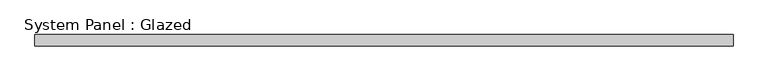
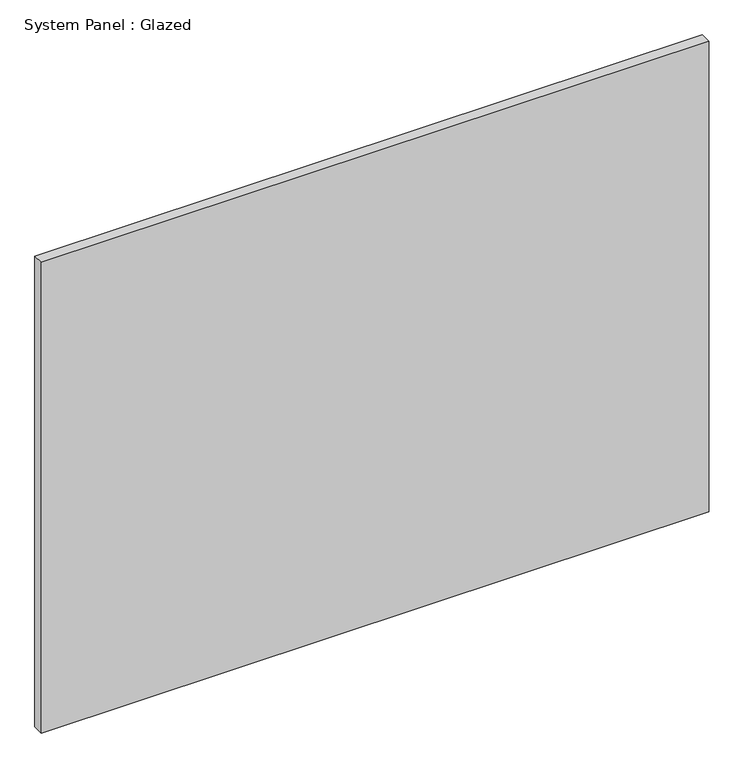
"""IFC4 building model written with IfcOpenShell, lengths in millimetres: plate geometry, System Panel : Glazed."""

from ifc_helpers import new_model, si_unit, origin, origin_with_axes, place, context, project, spatial, polyline, outline, extrude, source, transform, mapped, element, save


def system_panel_glazed_cc64d233(model_context):
    return source(origin(), model_context, "Body", "SweptSolid", [
        extrude(outline(polyline([(767.08, -12.7), (-767.08, -12.7), (-767.08, 12.7), (767.08, 12.7), (767.08, -12.7)])), origin_with_axes(), (0.0, 0.0, 1.0), 1143.0),
    ])


if __name__ == "__main__":
    model = new_model("IFC4")
    model_context = context("Model", 3, world=origin())
    ifc_project = project(units=[si_unit("LENGTHUNIT", "METRE", prefix="MILLI")], contexts=[model_context])
    site = spatial("IfcSite", under=ifc_project)
    building = spatial("IfcBuilding", under=site)
    placement = place(None, origin())
    system_panel_glazed_shape = system_panel_glazed_cc64d233(model_context)
    element("IfcPlate", 1, ObjectType="System Panel : Glazed", at=placement, inside=building, context=model_context, shape_type="MappedRepresentation", body=[
        mapped(system_panel_glazed_shape, transform((0.0, 0.0, 0.0), x_axis=(1.0, 0.0, 0.0), y_axis=(0.0, 1.0, 0.0), z_axis=(0.0, 0.0, 1.0))),
    ])
    save(model, "model.ifc")
